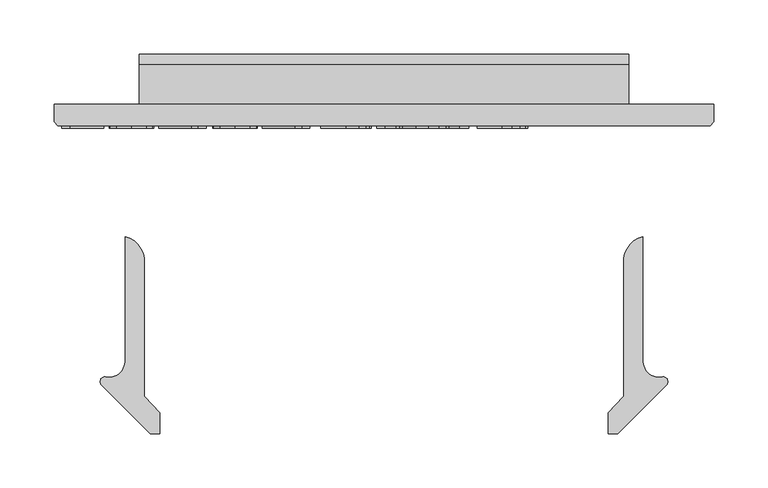
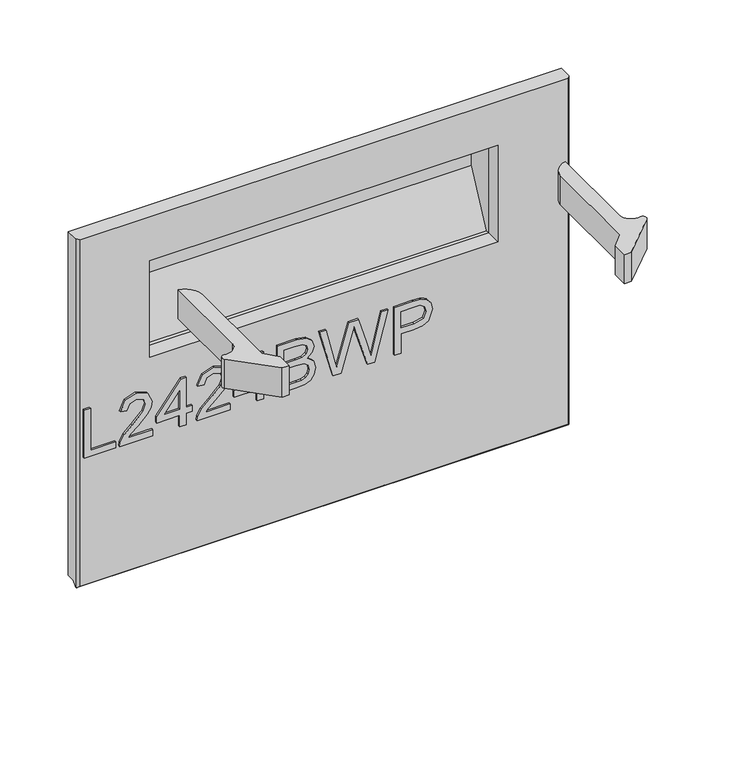
"""IFC4 building model written with IfcOpenShell, lengths in millimetres: furniture geometry."""

from ifc_helpers import new_model, si_unit, point, frame, frame_2d, origin, place, context, project, spatial, polyline, circle_curve, trimmed, segment, composite_curve, outline, extrude, faceted_brep, source, transform, mapped, element, save
from ifc_brep_helpers import plane_surface, cylinder_surface, advanced_brep


def furniture_fbaf7572(model_context):
    return source(origin(), model_context, "Body", "SolidModel", [
        extrude(outline(polyline([(676.671875, -279.2238335), (676.671875, -240.1469105), (684.4872596, -240.1469105), (684.4872596, -271.4084489), (739.1949519, -271.4084489), (739.1949519, -279.2238335), (676.671875, -279.2238335)])), frame((0.0, -21.9273437, 0.0), z_axis=(0.0, 1.0, 0.0), x_axis=(0.0, 0.0, 1.0)), (0.0, 0.0, 1.0), 2.38125),
        extrude(outline(polyline([(684.4872596, -194.2315259), (684.4872596, -224.9282807), (688.4636418, -221.4021989), (695.9813702, -212.4114537), (706.689363, -201.2149994), (714.3521034, -196.5975114), (721.7629808, -195.2084489), (734.1882212, -200.3601917), (739.1949519, -214.3500355), (734.6919471, -228.2940859), (721.6103365, -234.285372), (720.6334135, -226.4699874), (728.5251202, -223.1805042), (731.3795673, -214.5179441), (728.4564303, -206.2064658), (721.2897837, -203.0238335), (712.4364183, -206.397271), (699.4158654, -219.891021), (690.3564303, -229.6755162), (682.0602163, -234.4227518), (676.671875, -235.2622951), (676.671875, -194.2315259), (684.4872596, -194.2315259)])), frame((0.0, -21.9273437, 0.0), z_axis=(0.0, 1.0, 0.0), x_axis=(0.0, 0.0, 1.0)), (0.0, 0.0, 1.0), 2.38125),
        extrude(outline(polyline([(676.671875, -161.0161412), (676.671875, -153.2007566), (691.3257212, -153.2007566), (691.3257212, -145.385372), (699.1411058, -145.385372), (699.1411058, -153.2007566), (738.2180288, -153.2007566), (738.2180288, -159.0622951), (699.1411058, -189.3469105), (691.3257212, -189.3469105), (691.3257212, -161.0161412), (676.671875, -161.0161412)]), holes=[polyline([(699.1411058, -161.0161412), (699.1411058, -179.7303239), (723.2894231, -161.0161412), (699.1411058, -161.0161412)])]), frame((0.0, -21.9273437, 0.0), z_axis=(0.0, 1.0, 0.0), x_axis=(0.0, 0.0, 1.0)), (0.0, 0.0, 1.0), 2.38125),
        extrude(outline(polyline([(684.4872596, -98.4930643), (684.4872596, -129.1898191), (688.4636418, -125.6637374), (695.9813702, -116.6729922), (706.689363, -105.4765379), (714.3521034, -100.8590499), (721.7629808, -99.4699874), (734.1882212, -104.6217302), (739.1949519, -118.6115739), (734.6919471, -132.5556244), (721.6103365, -138.5469105), (720.6334135, -130.7315259), (728.5251202, -127.4420427), (731.3795673, -118.7794826), (728.4564303, -110.4680042), (721.2897837, -107.285372), (712.4364183, -110.6588095), (699.4158654, -124.1525595), (690.3564303, -133.9370547), (682.0602163, -138.6842903), (676.671875, -139.5238335), (676.671875, -98.4930643), (684.4872596, -98.4930643)])), frame((0.0, -21.9273437, 0.0), z_axis=(0.0, 1.0, 0.0), x_axis=(0.0, 0.0, 1.0)), (0.0, 0.0, 1.0), 2.38125),
        extrude(outline(polyline([(676.671875, -65.2776797), (676.671875, -57.4622951), (691.3257212, -57.4622951), (691.3257212, -49.6469105), (699.1411058, -49.6469105), (699.1411058, -57.4622951), (738.2180288, -57.4622951), (738.2180288, -63.3238335), (699.1411058, -93.6084489), (691.3257212, -93.6084489), (691.3257212, -65.2776797), (676.671875, -65.2776797)]), holes=[polyline([(699.1411058, -65.2776797), (699.1411058, -83.9918624), (723.2894231, -65.2776797), (699.1411058, -65.2776797)])]), frame((0.0, -21.9273437, 0.0), z_axis=(0.0, 1.0, 0.0), x_axis=(0.0, 0.0, 1.0)), (0.0, 0.0, 1.0), 2.38125),
        extrude(outline(polyline([(676.671875, -39.8776797), (676.671875, -16.2025595), (677.7480168, -6.1814658), (680.9230168, 0.6188347), (686.9066707, 5.175265), (695.3097356, 7.014628), (705.0331731, 4.3204573), (710.8641827, -3.3804441), (716.3975361, 2.9619237), (723.7015625, 5.0607818), (731.7001202, 2.5650487), (737.3555889, -4.3344706), (739.1949519, -16.0193864), (739.1949519, -39.8776797), (676.671875, -39.8776797)]), holes=[polyline([(713.7949519, -32.0622951), (731.3795673, -32.0622951), (731.3795673, -18.8738335), (730.5629207, -8.8298432), (727.5481971, -4.3268384), (722.4498798, -2.7546028), (717.3591947, -4.4413215), (714.4665865, -9.4556845), (713.7949519, -17.7900595), (713.7949519, -32.0622951)]), polyline([(684.4872596, -32.0622951), (705.9795673, -32.0622951), (705.9795673, -16.797872), (704.9339543, -7.1431244), (701.3086538, -2.2966701), (695.2334135, -0.8007566), (689.9671875, -2.0753359), (686.4945313, -5.3266581), (684.7925481, -10.2341701), (684.4872596, -16.0346509), (684.4872596, -32.0622951)])]), frame((0.0, -21.9273437, 0.0), z_axis=(0.0, 1.0, 0.0), x_axis=(0.0, 0.0, 1.0)), (0.0, 0.0, 1.0), 2.38125),
        extrude(outline(polyline([(676.671875, 28.949604), (676.671875, 38.3830174), (723.5336538, 52.0446761), (731.6390625, 54.3953972), (724.9074519, 56.4866232), (676.671875, 71.4762866), (676.671875, 79.8259261), (739.1949519, 96.8915511), (739.1949519, 88.8319357), (697.7367788, 78.849003), (685.4183894, 75.8877049), (708.3455529, 69.1866232), (739.1949519, 60.1806136), (739.1949519, 48.5643876), (696.6377404, 36.1696761), (685.4183894, 32.9030895), (698.103125, 29.8502049), (739.1949519, 19.9588588), (739.1949519, 11.8992434), (676.671875, 28.949604)])), frame((0.0, -21.9273437, 0.0), z_axis=(0.0, 1.0, 0.0), x_axis=(0.0, 0.0, 1.0)), (0.0, 0.0, 1.0), 2.38125),
        extrude(outline(polyline([(676.671875, 104.7069357), (676.671875, 112.5223203), (702.071875, 112.5223203), (702.071875, 128.4125847), (703.4533053, 139.5155445), (707.5975962, 146.569616), (721.1066106, 151.5992434), (729.6317909, 149.7369838), (735.6765024, 144.8142073), (738.5996394, 137.2201568), (739.1949519, 127.8783299), (739.1949519, 104.7069357), (676.671875, 104.7069357)]), holes=[polyline([(709.8872596, 112.5223203), (731.3795673, 112.5223203), (731.3795673, 128.6873443), (730.8453125, 136.502729), (727.3039663, 141.7765871), (720.831851, 143.7838588), (712.7569712, 140.3798924), (709.8872596, 128.8705174), (709.8872596, 112.5223203)])]), frame((0.0, -21.9273437, 0.0), z_axis=(0.0, 1.0, 0.0), x_axis=(0.0, 0.0, 1.0)), (0.0, 0.0, 1.0), 2.38125),
        extrude(outline(composite_curve([segment(polyline([(-220.5642823, -238.3618073), (-220.5642823, -122.0390625)]), True, "CONTINUOUS"), segment(trimmed(circle_curve(frame_2d((-226.2037181, -144.8953097)), 23.5416922), [point((-220.5642823, -122.0390625))], [point((-202.8305174, -142.0837692))], False, "CARTESIAN"), True, "CONTINUOUS"), segment(polyline([(-202.8305174, -142.0837692), (-202.8305174, -269.3995294), (-188.5302638, -285.0128136), (-188.5302638, -304.0572038), (-197.3624851, -304.0572038), (-242.2212719, -259.1984169)]), True, "CONTINUOUS"), segment(trimmed(circle_curve(frame_2d((-239.0740027, -256.0511477)), 4.4509108), [point((-242.2212719, -259.1984169))], [point((-238.9835432, -251.6011563))], False, "CARTESIAN"), True, "CONTINUOUS"), segment(trimmed(circle_curve(frame_2d((-235.2976543, -237.2965695)), 14.7718306), [point((-238.9835432, -251.6011563))], [point((-220.5642823, -238.3618073))], True, "CARTESIAN"), True, "CONTINUOUS")], self_intersect=False)), frame((0.0, 0.0, 899.0607534), z_axis=(0.0, 0.0, 1.0), x_axis=(1.0, 0.0, 0.0)), (0.0, 0.0, 1.0), 38.1000023),
        extrude(outline(composite_curve([segment(trimmed(circle_curve(frame_2d((272.7730641, -237.2965695)), 14.7718306), [point((258.0396922, -238.3618073))], [point((276.4589531, -251.6011563))], True, "CARTESIAN"), True, "CONTINUOUS"), segment(trimmed(circle_curve(frame_2d((276.5494126, -256.0511477)), 4.4509108), [point((276.4589531, -251.6011563))], [point((279.6966818, -259.1984169))], False, "CARTESIAN"), True, "CONTINUOUS"), segment(polyline([(279.6966818, -259.1984169), (234.8378949, -304.0572038), (226.0056737, -304.0572038), (226.0056737, -285.0128136), (240.3059273, -269.3995294), (240.3059273, -142.0837692)]), True, "CONTINUOUS"), segment(trimmed(circle_curve(frame_2d((263.679128, -144.8953097)), 23.5416922), [point((240.3059273, -142.0837692))], [point((258.0396922, -122.0390625))], False, "CARTESIAN"), True, "CONTINUOUS"), segment(polyline([(258.0396922, -122.0390625), (258.0396922, -238.3618073)]), True, "CONTINUOUS")], self_intersect=False)), frame((0.0, 0.0, 899.0607534), z_axis=(0.0, 0.0, 1.0), x_axis=(1.0, 0.0, 0.0)), (0.0, 0.0, 1.0), 38.1000023),
        faceted_brep([(-286.0622951, 0.0, 512.7625), (323.5377049, 0.0, 512.7625), (323.5377049, -10.0210938, 512.7625), (-286.0622951, -10.0210937, 512.7625), (323.5377049, 0.0, 962.088275), (-286.0622951, 0.0, 962.088275), (-286.0622951, -15.9900937, 962.088275), (-282.8872951, -19.5460937, 962.088275), (320.3627049, -19.5460937, 962.088275), (323.5377049, -15.9900937, 962.088275), (-286.0622951, -15.9900937, 506.7935), (-282.8872951, -19.5460937, 509.5875), (320.3627049, -19.5460937, 509.5875), (-196.5178471, -19.5460937, 778.2717826), (-196.5178471, -19.5460937, 904.7321978), (233.9932569, -19.5460937, 904.7321978), (233.9932569, -19.5460937, 778.2717826), (323.5377049, -15.9900937, 506.7935), (-196.5178471, 0.0, 904.7321978), (-196.5178471, 0.0, 778.2717826), (233.9932569, 0.0, 778.2717826), (233.9932569, 0.0, 904.7321978), (323.1975263, -16.3710938, 506.4125), (-285.7221165, -16.3710937, 506.4125)], [[[0, 1, 2, 3]], [[4, 5, 6, 7, 8, 9]], [[5, 0, 3, 10, 6]], [[8, 7, 11, 12], [13, 14, 15, 16]], [[1, 4, 9, 17, 2]], [[1, 0, 5, 4], [18, 19, 20, 21]], [[13, 19, 18, 14]], [[15, 21, 20, 16]], [[14, 18, 21, 15]], [[19, 13, 16, 20]], [[3, 2, 17, 22, 23, 10]], [[12, 11, 23, 22]], [[7, 6, 10, 23, 11]], [[9, 8, 12, 22, 17]]]),
        advanced_brep(
        [(-207.3226381, 36.9472097, 914.3062197), (-207.3226381, 46.5212315, 904.7321978), (-207.3226381, 46.5212315, 844.0302143), (-207.3226381, 39.9742542, 820.2170149), (-207.3226381, 16.1316421, 778.2717826), (-207.3226381, 0.0, 768.1118468), (-207.3226381, 0.0, 914.3062197), (244.798048, 36.9472097, 914.3062197), (244.798048, 0.0, 914.3062197), (244.798048, 0.0, 768.1118468), (244.798048, 16.1316421, 778.2717826), (244.798048, 39.9742542, 820.2170149), (244.798048, 46.5212315, 844.0302143), (244.798048, 46.5212315, 904.7321978), (-196.5178471, 0.0, 778.2717826), (-196.5178471, 0.0, 904.7321978), (233.9932569, 0.0, 904.7321978), (233.9932569, 0.0, 778.2717826), (-196.5178471, 4.9248726, 778.2717826), (-196.5178471, 36.9472097, 844.0302143), (-196.5178471, 36.9472097, 904.7321978), (233.9932569, 36.9472097, 904.7321978), (233.9932569, 36.9472097, 844.0302143), (233.9932569, 4.9248726, 778.2717826)],
        [
            (0, 1, circle_curve(frame((-207.3226381, 36.9472097, 904.7321978), z_axis=(-1.0, 0.0, 0.0), x_axis=(0.0, -1.0, 0.0)), 9.5740219)),
            (1, 2),
            (2, 3, circle_curve(frame((-207.3226381, -3.6609663, 845.0202543), z_axis=(-1.0, 0.0, 0.0), x_axis=(0.0, -1.0, 0.0)), 50.1919631)),
            (3, 4),
            (4, 5, circle_curve(frame((-207.3226381, -1.4154997, 788.2459722), z_axis=(-1.0, 0.0, 0.0), x_axis=(0.0, -1.0, 0.0)), 20.1838213)),
            (5, 6),
            (6, 0),
            (7, 8),
            (8, 9),
            (9, 10, circle_curve(frame((244.798048, -1.4154997, 788.2459722), z_axis=(1.0, 0.0, 0.0), x_axis=(0.0, -1.0, 0.0)), 20.1838213)),
            (10, 11),
            (11, 12, circle_curve(frame((244.798048, -3.6609663, 845.0202543), z_axis=(1.0, 0.0, 0.0), x_axis=(0.0, -1.0, 0.0)), 50.1919631)),
            (12, 13),
            (13, 7, circle_curve(frame((244.798048, 36.9472097, 904.7321978), z_axis=(1.0, 0.0, 0.0), x_axis=(0.0, -1.0, 0.0)), 9.5740219)),
            (0, 7),
            (13, 1),
            (12, 2),
            (11, 3),
            (10, 4),
            (9, 5),
            (8, 6),
            (14, 15),
            (15, 16),
            (16, 17),
            (17, 14),
            (18, 19),
            (19, 20),
            (20, 15),
            (14, 18),
            (21, 22),
            (22, 23),
            (23, 17),
            (16, 21),
            (20, 21),
            (19, 22),
            (18, 23),
        ],
        [
            plane_surface(frame((-207.3226381, 27.3731878, 904.7321978), z_axis=(-1.0, 0.0, 0.0), x_axis=(0.0, 0.0, 1.0))),
            plane_surface(frame((244.798048, 27.3731878, 904.7321978), z_axis=(1.0, 0.0, 0.0), x_axis=(0.0, 0.0, -1.0))),
            cylinder_surface(frame((244.798048, 36.9472097, 904.7321978), z_axis=(-1.0, 0.0, 0.0), x_axis=(0.0, -1.0, 0.0)), 9.5740219),
            plane_surface(frame((-207.3226381, 46.5212315, 904.7321978), z_axis=(0.0, 1.0, 1.1361259774154284e-12), x_axis=(1.0, 0.0, 0.0))),
            cylinder_surface(frame((244.798048, -3.6609663, 845.0202543), z_axis=(-1.0, 0.0, 0.0), x_axis=(0.0, -1.0, 0.0)), 50.1919631),
            plane_surface(frame((-207.3226381, 39.9742542, 820.2170149), z_axis=(0.0, 0.8693666847317663, -0.4941675500055601), x_axis=(1.0, 0.0, 0.0))),
            cylinder_surface(frame((244.798048, -1.4154997, 788.2459722), z_axis=(-1.0, 0.0, 0.0), x_axis=(0.0, -1.0, 0.0)), 20.1838213),
            plane_surface(frame((-207.3226381, 0.0, 768.1118468), z_axis=(0.0, -1.0, 0.0), x_axis=(1.0, 0.0, 0.0))),
            plane_surface(frame((-207.3226381, 0.0, 914.3062197), z_axis=(0.0, 0.0, 1.0), x_axis=(1.0, 0.0, 0.0))),
            plane_surface(frame((-196.5178471, 36.9472097, 904.7321978), z_axis=(1.0, 0.0, 0.0), x_axis=(0.0, 1.0, 0.0))),
            plane_surface(frame((233.9932569, 36.9472097, 904.7321978), z_axis=(-1.0, 0.0, 0.0), x_axis=(0.0, -1.0, 0.0))),
            plane_surface(frame((-196.5178471, -19.5460937, 904.7321978), z_axis=(0.0, 0.0, -1.0), x_axis=(1.0, 0.0, 0.0))),
            plane_surface(frame((-196.5178471, 36.9472097, 904.7321978), z_axis=(0.0, -1.0, 0.0), x_axis=(1.0, 0.0, 0.0))),
            plane_surface(frame((-196.5178471, 36.9472097, 844.0302143), z_axis=(0.0, -0.8990642615843079, 0.4378166894281937), x_axis=(1.0, 0.0, 0.0))),
            plane_surface(frame((-196.5178471, 4.9248726, 778.2717826), z_axis=(0.0, 0.0, 1.0), x_axis=(1.0, 0.0, 0.0))),
        ],
        [
            (0, [[1, 2, 3, 4, 5, 6, 7]]),
            (1, [[8, 9, 10, 11, 12, 13, 14]]),
            (2, [[-1, 15, -14, 16]]),
            (3, [[-2, -16, -13, 17]]),
            (4, [[-3, -17, -12, 18]]),
            (5, [[-4, -18, -11, 19]]),
            (6, [[-5, -19, -10, 20]]),
            (7, [[-6, -20, -9, 21], [22, 23, 24, 25]]),
            (8, [[-7, -21, -8, -15]]),
            (9, [[26, 27, 28, -22, 29]]),
            (10, [[30, 31, 32, -24, 33]]),
            (11, [[34, -33, -23, -28]]),
            (12, [[-27, 35, -30, -34]]),
            (13, [[-26, 36, -31, -35]]),
            (14, [[-36, -29, -25, -32]]),
        ],
    ),
    ])


if __name__ == "__main__":
    model = new_model("IFC4")
    model_context = context("Model", 3, world=origin())
    ifc_project = project(units=[si_unit("LENGTHUNIT", "METRE", prefix="MILLI")], contexts=[model_context])
    site = spatial("IfcSite", under=ifc_project)
    building = spatial("IfcBuilding", under=site)
    placement = place(None, origin())
    furniture_shape = furniture_fbaf7572(model_context)
    element("IfcFurniture", 1, at=placement, inside=building, context=model_context, shape_type="MappedRepresentation", body=[
        mapped(furniture_shape, transform((0.0, 0.0, 0.0), x_axis=(1.0, 0.0, 0.0), y_axis=(0.0, 1.0, 0.0), z_axis=(0.0, 0.0, 1.0))),
    ])
    save(model, "model.ifc")
